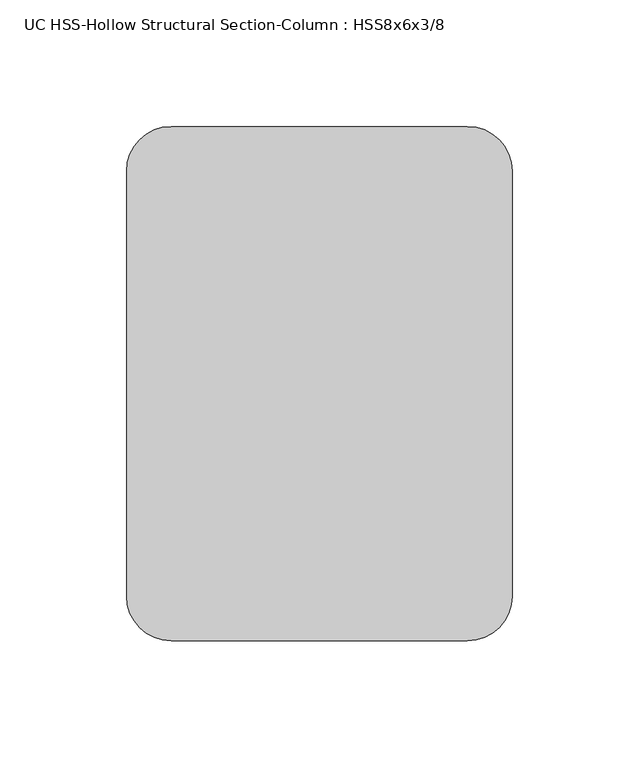
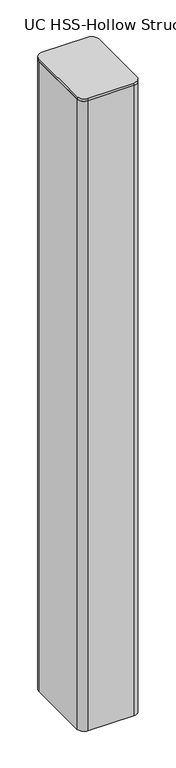
"""IFC4 building model written with IfcOpenShell, lengths in millimetres: column geometry, UC HSS-Hollow Structural Section-Column : HSS8x6x3/8."""

from ifc_helpers import new_model, si_unit, point, frame, frame_2d, origin, place, context, project, spatial, polyline, circle_curve, trimmed, segment, composite_curve, outline, extrude, source, transform, mapped, element, save


def uc_hss_hollow_structural_section_column_hss8x6x3_8_96f3529b(model_context):
    return source(origin(), model_context, "Body", "SweptSolid", [
        extrude(outline(composite_curve([segment(trimmed(circle_curve(frame_2d((-58.5390625, 83.9390625)), 17.6609375), [point((-76.2, 83.9390625))], [point((-58.5390625, 101.6))], False, "CARTESIAN"), True, "CONTINUOUS"), segment(polyline([(-58.5390625, 101.6), (58.5390625, 101.6)]), True, "CONTINUOUS"), segment(trimmed(circle_curve(frame_2d((58.5390625, 83.9390625)), 17.6609375), [point((58.5390625, 101.6))], [point((76.2, 83.9390625))], False, "CARTESIAN"), True, "CONTINUOUS"), segment(polyline([(76.2, 83.9390625), (76.2, -83.9390625)]), True, "CONTINUOUS"), segment(trimmed(circle_curve(frame_2d((58.5390625, -83.9390625)), 17.6609375), [point((76.2, -83.9390625))], [point((58.5390625, -101.6))], False, "CARTESIAN"), True, "CONTINUOUS"), segment(polyline([(58.5390625, -101.6), (-58.5390625, -101.6)]), True, "CONTINUOUS"), segment(trimmed(circle_curve(frame_2d((-58.5390625, -83.9390625)), 17.6609375), [point((-58.5390625, -101.6))], [point((-76.2, -83.9390625))], False, "CARTESIAN"), True, "CONTINUOUS"), segment(polyline([(-76.2, -83.9390625), (-76.2, 83.9390625)]), True, "CONTINUOUS")], self_intersect=False)), frame((0.0, 0.0, 9899.65), z_axis=(0.0, 0.0, 1.0), x_axis=(1.0, 0.0, 0.0)), (0.0, 0.0, 1.0), 6.35),
        extrude(outline(composite_curve([segment(trimmed(circle_curve(frame_2d((58.4708, 83.8708)), 17.7292), [point((58.4708, 101.6))], [point((76.2, 83.8708))], False, "CARTESIAN"), True, "CONTINUOUS"), segment(polyline([(76.2, 83.8708), (76.2, -83.8708)]), True, "CONTINUOUS"), segment(trimmed(circle_curve(frame_2d((58.4708, -83.8708)), 17.7292), [point((76.2, -83.8708))], [point((58.4708, -101.6))], False, "CARTESIAN"), True, "CONTINUOUS"), segment(polyline([(58.4708, -101.6), (-58.4708, -101.6)]), True, "CONTINUOUS"), segment(trimmed(circle_curve(frame_2d((-58.4708, -83.8708)), 17.7292), [point((-58.4708, -101.6))], [point((-76.2, -83.8708))], False, "CARTESIAN"), True, "CONTINUOUS"), segment(polyline([(-76.2, -83.8708), (-76.2, 83.8708)]), True, "CONTINUOUS"), segment(trimmed(circle_curve(frame_2d((-58.4708, 83.8708)), 17.7292), [point((-76.2, 83.8708))], [point((-58.4708, 101.6))], False, "CARTESIAN"), True, "CONTINUOUS"), segment(polyline([(-58.4708, 101.6), (58.4708, 101.6)]), True, "CONTINUOUS")], self_intersect=False), holes=[composite_curve([segment(polyline([(58.4708, 92.7354), (-58.4708, 92.7354)]), True, "CONTINUOUS"), segment(trimmed(circle_curve(frame_2d((-58.4708, 83.8708)), 8.8646), [point((-58.4708, 92.7354))], [point((-67.3354, 83.8708))], True, "CARTESIAN"), True, "CONTINUOUS"), segment(polyline([(-67.3354, 83.8708), (-67.3354, -83.8708)]), True, "CONTINUOUS"), segment(trimmed(circle_curve(frame_2d((-58.4708, -83.8708)), 8.8646), [point((-67.3354, -83.8708))], [point((-58.4708, -92.7354))], True, "CARTESIAN"), True, "CONTINUOUS"), segment(polyline([(-58.4708, -92.7354), (58.4708, -92.7354)]), True, "CONTINUOUS"), segment(trimmed(circle_curve(frame_2d((58.4708, -83.8708)), 8.8646), [point((58.4708, -92.7354))], [point((67.3354, -83.8708))], True, "CARTESIAN"), True, "CONTINUOUS"), segment(polyline([(67.3354, -83.8708), (67.3354, 83.8708)]), True, "CONTINUOUS"), segment(trimmed(circle_curve(frame_2d((58.4708, 83.8708)), 8.8646), [point((67.3354, 83.8708))], [point((58.4708, 92.7354))], True, "CARTESIAN"), True, "CONTINUOUS")], self_intersect=False)]), frame((0.0, 0.0, 8204.2), z_axis=(0.0, 0.0, 1.0), x_axis=(1.0, 0.0, 0.0)), (0.0, 0.0, 1.0), 1695.45),
    ])


if __name__ == "__main__":
    model = new_model("IFC4")
    model_context = context("Model", 3, world=origin())
    ifc_project = project(units=[si_unit("LENGTHUNIT", "METRE", prefix="MILLI")], contexts=[model_context])
    site = spatial("IfcSite", under=ifc_project)
    building = spatial("IfcBuilding", under=site)
    placement = place(None, origin())
    uc_hss_hollow_structural_section_column_hss8x6x3_8_shape = uc_hss_hollow_structural_section_column_hss8x6x3_8_96f3529b(model_context)
    element("IfcColumn", 1, ObjectType="UC HSS-Hollow Structural Section-Column : HSS8x6x3/8", at=placement, inside=building, context=model_context, shape_type="MappedRepresentation", body=[
        mapped(uc_hss_hollow_structural_section_column_hss8x6x3_8_shape, transform((0.0, 0.0, 0.0), x_axis=(1.0, 0.0, 0.0), y_axis=(0.0, 1.0, 0.0), z_axis=(0.0, 0.0, 1.0))),
    ])
    save(model, "model.ifc")
